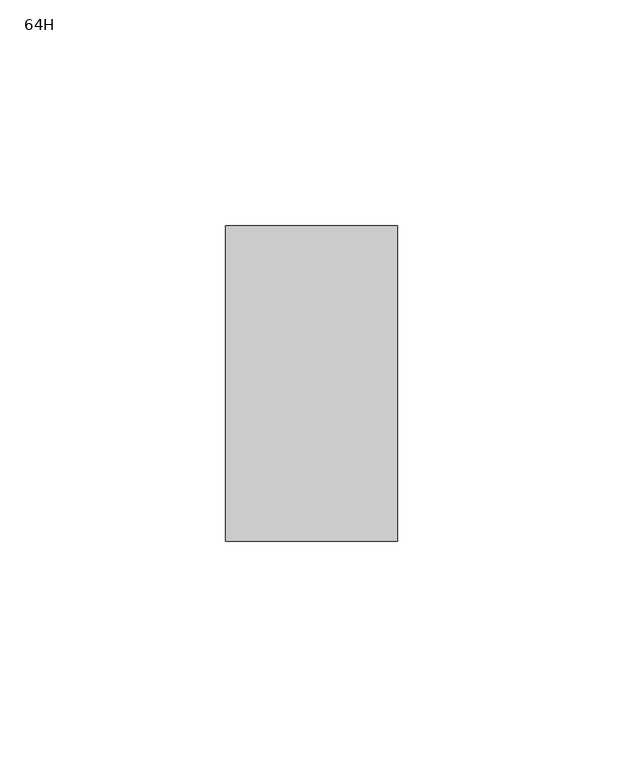
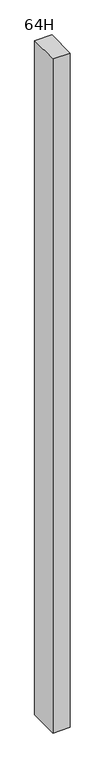
"""IFC4 building model written with IfcOpenShell, lengths in millimetres: furniture geometry, 64H."""

from ifc_helpers import new_model, si_unit, frame, origin, place, context, project, spatial, polyline, outline, extrude, source, transform, mapped, element, save


def furniture_64h_40b55c4c(model_context):
    return source(origin(), model_context, "Body", "SweptSolid", [
        extrude(outline(polyline([(-19.05, 25.4), (19.05, 25.4), (19.05, -44.45), (-19.05, -44.45), (-19.05, 25.4)])), frame((0.0, 0.0, 527.1492187), z_axis=(0.0, 0.0, 1.0), x_axis=(1.0, 0.0, 0.0)), (0.0, 0.0, 1.0), 1572.7164062),
    ])


if __name__ == "__main__":
    model = new_model("IFC4")
    model_context = context("Model", 3, world=origin())
    ifc_project = project(units=[si_unit("LENGTHUNIT", "METRE", prefix="MILLI")], contexts=[model_context])
    site = spatial("IfcSite", under=ifc_project)
    building = spatial("IfcBuilding", under=site)
    placement = place(None, origin())
    furniture_64h_shape = furniture_64h_40b55c4c(model_context)
    element("IfcFurniture", 1, ObjectType="64H", at=placement, inside=building, context=model_context, shape_type="MappedRepresentation", body=[
        mapped(furniture_64h_shape, transform((0.0, 0.0, 0.0), x_axis=(1.0, 0.0, 0.0), y_axis=(0.0, 1.0, 0.0), z_axis=(0.0, 0.0, 1.0))),
    ])
    save(model, "model.ifc")
